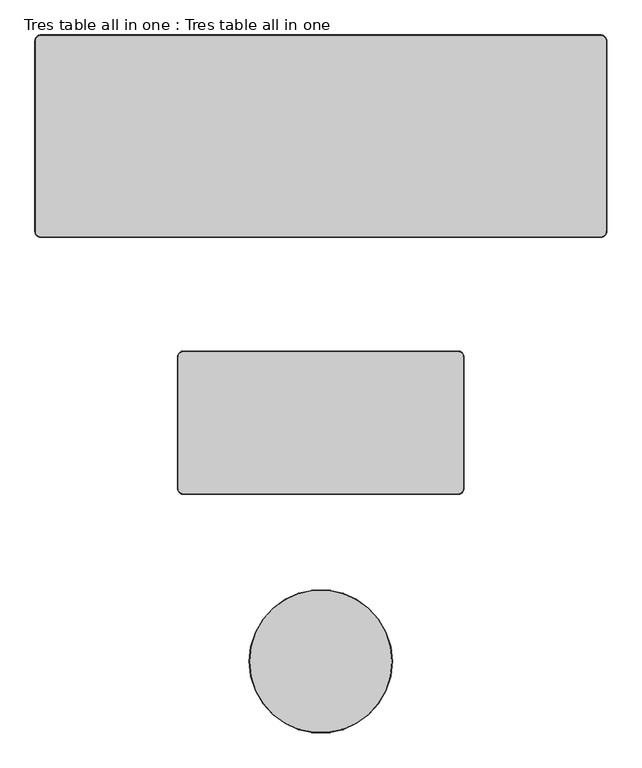
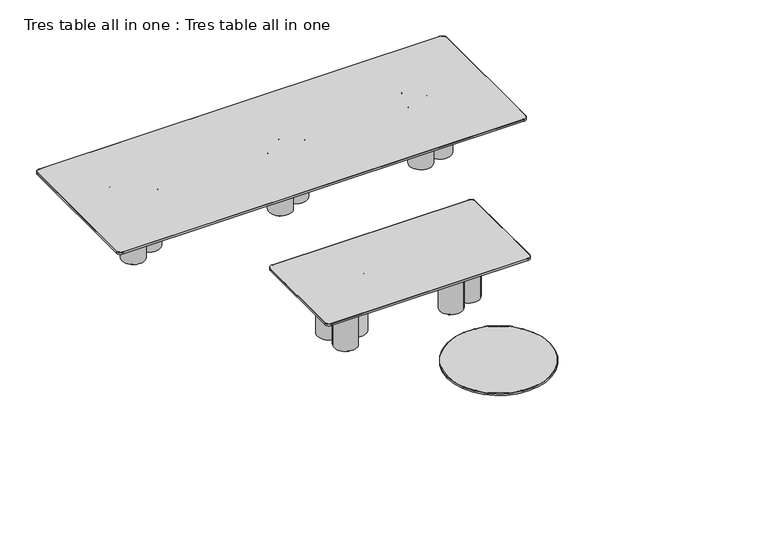
"""IFC4 building model written with IfcOpenShell, lengths in millimetres: furniture geometry, Tres table all in one : Tres table all in one."""

from ifc_helpers import new_model, si_unit, point, frame, frame_2d, origin, origin_with_axes, place, context, project, spatial, circle_curve, ellipse_curve, trimmed, segment, composite_curve, outline, extrude, source, transform, mapped, element, save
from ifc_brep_helpers import plane_surface, cylinder_surface, revolved_surface, advanced_brep


def tres_table_all_in_one_tres_table_all_in_one_0e285379(model_context):
    return source(origin(), model_context, "Body", "SolidModel", [
        advanced_brep(
        [(-2346.6238792, 3246.0174596, 719.875), (-2394.6238792, 3198.0174596, 719.875), (-2394.6238792, 1601.9821546, 719.875), (-2346.6238792, 1553.9821546, 719.875), (2346.6240469, 1553.9821546, 719.875), (2394.6237214, 1601.9818291, 719.875), (2394.6237214, 3198.0174596, 719.875), (2346.6237214, 3246.0174596, 719.875), (2346.6237214, 3248.0174596, 695.5), (2396.6237214, 3198.0174596, 695.5), (2396.6237214, 1601.9818291, 695.5), (2346.6240469, 1551.9821546, 695.5), (-2346.6238792, 1551.9821546, 695.5), (-2396.6238792, 1601.9821546, 695.5), (-2396.6238792, 3198.0174596, 695.5), (-2346.6238792, 3248.0174596, 695.5), (-2346.6238792, 3248.0174596, 717.8750015), (2346.6237214, 3248.0174596, 717.875), (-2396.6238792, 3198.0174596, 717.8749999), (-2396.6238792, 1601.9821546, 717.875), (-2346.6238792, 1551.9821546, 717.875), (2346.6240469, 1551.9821546, 717.875), (2396.6237214, 1601.9818291, 717.8750013), (2396.6237214, 3198.0174596, 717.875)],
        [
            (0, 1, circle_curve(frame((-2346.6238792, 3198.0174596, 719.875), z_axis=(0.0, 0.0, 1.0), x_axis=(0.0, 1.0, 0.0)), 48.0)),
            (1, 2),
            (2, 3, circle_curve(frame((-2346.6238792, 1601.9821546, 719.875), z_axis=(0.0, 0.0, 1.0), x_axis=(-1.0, 0.0, 0.0)), 48.0)),
            (3, 4),
            (4, 5, circle_curve(frame((2346.6240469, 1601.9818291, 719.875), z_axis=(0.0, 0.0, 1.0), x_axis=(0.0, -1.0, 0.0)), 47.9996745)),
            (5, 6),
            (6, 7, circle_curve(frame((2346.6237214, 3198.0174596, 719.875), z_axis=(0.0, 0.0, 1.0), x_axis=(1.0, 0.0, 0.0)), 48.0)),
            (7, 0),
            (8, 9, circle_curve(frame((2346.6237214, 3198.0174596, 695.5), z_axis=(0.0, 0.0, -1.0), x_axis=(1.0, 0.0, 0.0)), 50.0)),
            (9, 10),
            (10, 11, circle_curve(frame((2346.6240469, 1601.9818291, 695.5), z_axis=(0.0, 0.0, -1.0), x_axis=(1.0, 0.0, 0.0)), 49.9996745)),
            (11, 12),
            (12, 13, circle_curve(frame((-2346.6238792, 1601.9821546, 695.5), z_axis=(0.0, 0.0, -1.0), x_axis=(1.0, 0.0, 0.0)), 50.0)),
            (13, 14),
            (14, 15, circle_curve(frame((-2346.6238792, 3198.0174596, 695.5), z_axis=(0.0, 0.0, -1.0), x_axis=(1.0, 0.0, 0.0)), 50.0)),
            (15, 8),
            (15, 16),
            (16, 17),
            (17, 8),
            (14, 18),
            (18, 16, circle_curve(frame((-2346.6238792, 3198.0174596, 717.875), z_axis=(0.0, 0.0, -1.0), x_axis=(1.0, 0.0, 0.0)), 50.0)),
            (13, 19),
            (19, 18),
            (12, 20),
            (20, 19, circle_curve(frame((-2346.6238792, 1601.9821546, 717.875), z_axis=(0.0, 0.0, -1.0), x_axis=(1.0, 0.0, 0.0)), 50.0)),
            (11, 21),
            (21, 20),
            (10, 22),
            (22, 21, circle_curve(frame((2346.6240469, 1601.9818291, 717.875), z_axis=(0.0, 0.0, -1.0), x_axis=(1.0, 0.0, 0.0)), 49.9996745)),
            (9, 23),
            (23, 22),
            (17, 23, circle_curve(frame((2346.6237214, 3198.0174596, 717.875), z_axis=(0.0, 0.0, -1.0), x_axis=(1.0, 0.0, 0.0)), 50.0)),
            (18, 1, circle_curve(frame((-2394.6238792, 3198.0174596, 717.875), z_axis=(0.0, 1.0, 0.0), x_axis=(1.0, 0.0, 0.0)), 2.0)),
            (0, 16, circle_curve(frame((-2346.6238792, 3246.0174596, 717.875), z_axis=(-1.0, 0.0, 0.0), x_axis=(0.0, -1.0, 0.0)), 2.0)),
            (19, 2, circle_curve(frame((-2394.6238792, 1601.9821546, 717.875), z_axis=(0.0, 1.0, 0.0), x_axis=(1.0, 0.0, 0.0)), 2.0)),
            (20, 3, circle_curve(frame((-2346.6238792, 1553.9821546, 717.875), z_axis=(-1.0, 0.0, 0.0), x_axis=(0.0, 1.0, 0.0)), 2.0)),
            (21, 4, circle_curve(frame((2346.6240469, 1553.9821546, 717.875), z_axis=(-1.0, 0.0, 0.0), x_axis=(0.0, 1.0, 0.0)), 2.0)),
            (22, 5, circle_curve(frame((2394.6237214, 1601.9818291, 717.875), z_axis=(0.0, -1.0, 0.0), x_axis=(-1.0, 0.0, 0.0)), 2.0)),
            (23, 6, circle_curve(frame((2394.6237214, 3198.0174596, 717.875), z_axis=(0.0, -1.0, 0.0), x_axis=(-1.0, 0.0, 0.0)), 2.0)),
            (17, 7, circle_curve(frame((2346.6237214, 3246.0174596, 717.875), z_axis=(1.0, 0.0, 0.0), x_axis=(0.0, -1.0, 0.0)), 2.0)),
        ],
        [
            plane_surface(frame((-2346.6238792, 3248.0174596, 719.875), z_axis=(0.0, 0.0, 1.0), x_axis=(-1.0, 0.0, 0.0))),
            plane_surface(frame((-2346.6238792, 3248.0174596, 695.5), z_axis=(0.0, 0.0, -1.0), x_axis=(1.0, 0.0, 0.0))),
            plane_surface(frame((2346.6237214, 3248.0174596, 719.875), z_axis=(0.0, 1.0, 0.0), x_axis=(0.0, 0.0, -1.0))),
            cylinder_surface(frame((-2346.6238792, 3198.0174596, 695.5), z_axis=(0.0, 0.0, 1.0), x_axis=(1.0, 0.0, 0.0)), 50.0),
            plane_surface(frame((-2396.6238792, 3198.0174596, 719.875), z_axis=(-1.0, 0.0, 0.0), x_axis=(0.0, 0.0, -1.0))),
            cylinder_surface(frame((-2346.6238792, 1601.9821546, 695.5), z_axis=(0.0, 0.0, 1.0), x_axis=(1.0, 0.0, 0.0)), 50.0),
            plane_surface(frame((-2346.6238792, 1551.9821546, 719.875), z_axis=(0.0, -1.0, 0.0), x_axis=(0.0, 0.0, -1.0))),
            cylinder_surface(frame((2346.6240469, 1601.9818291, 695.5), z_axis=(0.0, 0.0, 1.0), x_axis=(1.0, 0.0, 0.0)), 49.9996745),
            plane_surface(frame((2396.6237214, 1601.9818291, 719.875), z_axis=(1.0, 0.0, 0.0), x_axis=(0.0, 0.0, -1.0))),
            cylinder_surface(frame((2346.6237214, 3198.0174596, 695.5), z_axis=(0.0, 0.0, 1.0), x_axis=(1.0, 0.0, 0.0)), 50.0),
            revolved_surface(trimmed(ellipse_curve(frame((-2346.6238792, 3246.0174596, 717.875), z_axis=(1.0, 0.0, 0.0), x_axis=(0.0, -1.0, 0.0)), 2.0, 2.0), [point((-2346.6238792, 3248.0174596, 717.875))], [point((-2346.6238792, 3246.0174596, 719.875))], True, "CARTESIAN"), (-2346.6238792, 3198.0174596, 719.875), (0.0, 0.0, 1.0)),
            cylinder_surface(frame((-2394.6238792, 3198.0174596, 717.875), z_axis=(0.0, -1.0, 0.0), x_axis=(1.0, 0.0, 0.0)), 2.0),
            revolved_surface(trimmed(ellipse_curve(frame((-2394.6238792, 1601.9821546, 717.875), z_axis=(0.0, 1.0, 0.0), x_axis=(1.0, 0.0, 0.0)), 2.0, 2.0), [point((-2396.6238792, 1601.9821546, 717.875))], [point((-2394.6238792, 1601.9821546, 719.875))], True, "CARTESIAN"), (-2346.6238792, 1601.9821546, 719.875), (0.0, 0.0, 1.0)),
            cylinder_surface(frame((-2346.6238792, 1553.9821546, 717.875), z_axis=(1.0, 0.0, 0.0), x_axis=(0.0, 1.0, 0.0)), 2.0),
            revolved_surface(trimmed(ellipse_curve(frame((2346.6240469, 1553.9821546, 717.875), z_axis=(-1.0, 0.0, 0.0), x_axis=(0.0, 1.0, 0.0)), 2.0, 2.0), [point((2346.6240469, 1551.9821546, 717.875))], [point((2346.6240469, 1553.9821546, 719.875))], True, "CARTESIAN"), (2346.6240469, 1601.9818291, 719.875), (0.0, 0.0, 1.0)),
            cylinder_surface(frame((2394.6237214, 1601.9818291, 717.875), z_axis=(0.0, 1.0, 0.0), x_axis=(-1.0, 0.0, 0.0)), 2.0),
            revolved_surface(trimmed(ellipse_curve(frame((2394.6237214, 3198.0174596, 717.875), z_axis=(0.0, -1.0, 0.0), x_axis=(-1.0, 0.0, 0.0)), 2.0, 2.0), [point((2396.6237214, 3198.0174596, 717.875))], [point((2394.6237214, 3198.0174596, 719.875))], True, "CARTESIAN"), (2346.6237214, 3198.0174596, 719.875), (0.0, 0.0, 1.0)),
            cylinder_surface(frame((2346.6237214, 3246.0174596, 717.875), z_axis=(-1.0, 0.0, 0.0), x_axis=(0.0, -1.0, 0.0)), 2.0),
        ],
        [
            (0, [[1, 2, 3, 4, 5, 6, 7, 8]]),
            (1, [[9, 10, 11, 12, 13, 14, 15, 16]]),
            (2, [[-16, 17, 18, 19]]),
            (3, [[-15, 20, 21, -17]]),
            (4, [[-14, 22, 23, -20]]),
            (5, [[-13, 24, 25, -22]]),
            (6, [[-12, 26, 27, -24]]),
            (7, [[-11, 28, 29, -26]]),
            (8, [[-10, 30, 31, -28]]),
            (9, [[-9, -19, 32, -30]]),
            (10, [[33, -1, 34, -21]]),
            (11, [[-33, -23, 35, -2]]),
            (12, [[-35, -25, 36, -3]]),
            (13, [[-36, -27, 37, -4]]),
            (14, [[-37, -29, 38, -5]]),
            (15, [[-38, -31, 39, -6]]),
            (16, [[-39, -32, 40, -7]]),
            (17, [[-34, -8, -40, -18]]),
        ],
    ),
        advanced_brep(
        [(-1150.0, 598.0, 719.875), (-1198.0, 550.0, 719.875), (-1198.0, -550.0, 719.875), (-1150.0, -598.0, 719.875), (1150.0, -598.0, 719.875), (1198.0, -550.0, 719.875), (1198.0, 550.0, 719.875), (1150.0, 598.0, 719.875), (1150.0, 600.0, 695.5), (1200.0, 550.0, 695.5), (1200.0, -550.0, 695.5), (1150.0, -600.0, 695.5), (-1150.0, -600.0, 695.5), (-1200.0, -550.0, 695.5), (-1200.0, 550.0, 695.5), (-1150.0, 600.0, 695.5), (-1150.0, 600.0, 717.875001), (1150.0, 600.0, 717.875), (-1200.0, 550.0, 717.875001), (-1200.0, -550.0, 717.875), (-1150.0, -600.0, 717.8750009), (1150.0, -600.0, 717.875), (1200.0, -550.0, 717.875001), (1200.0, 550.0, 717.875)],
        [
            (0, 1, circle_curve(frame((-1150.0, 550.0, 719.875), z_axis=(0.0, 0.0, 1.0), x_axis=(0.0, 1.0, 0.0)), 48.0)),
            (1, 2),
            (2, 3, circle_curve(frame((-1150.0, -550.0, 719.875), z_axis=(0.0, 0.0, 1.0), x_axis=(-1.0, 0.0, 0.0)), 48.0)),
            (3, 4),
            (4, 5, circle_curve(frame((1150.0, -550.0, 719.875), z_axis=(0.0, 0.0, 1.0), x_axis=(0.0, -1.0, 0.0)), 48.0)),
            (5, 6),
            (6, 7, circle_curve(frame((1150.0, 550.0, 719.875), z_axis=(0.0, 0.0, 1.0), x_axis=(1.0, 0.0, 0.0)), 48.0)),
            (7, 0),
            (8, 9, circle_curve(frame((1150.0, 550.0, 695.5), z_axis=(0.0, 0.0, -1.0), x_axis=(1.0, 0.0, 0.0)), 50.0)),
            (9, 10),
            (10, 11, circle_curve(frame((1150.0, -550.0, 695.5), z_axis=(0.0, 0.0, -1.0), x_axis=(1.0, 0.0, 0.0)), 50.0)),
            (11, 12),
            (12, 13, circle_curve(frame((-1150.0, -550.0, 695.5), z_axis=(0.0, 0.0, -1.0), x_axis=(1.0, 0.0, 0.0)), 50.0)),
            (13, 14),
            (14, 15, circle_curve(frame((-1150.0, 550.0, 695.5), z_axis=(0.0, 0.0, -1.0), x_axis=(1.0, 0.0, 0.0)), 50.0)),
            (15, 8),
            (15, 16),
            (16, 17),
            (17, 8),
            (14, 18),
            (18, 16, circle_curve(frame((-1150.0, 550.0, 717.875), z_axis=(0.0, 0.0, -1.0), x_axis=(1.0, 0.0, 0.0)), 50.0)),
            (13, 19),
            (19, 18),
            (12, 20),
            (20, 19, circle_curve(frame((-1150.0, -550.0, 717.875), z_axis=(0.0, 0.0, -1.0), x_axis=(1.0, 0.0, 0.0)), 50.0)),
            (11, 21),
            (21, 20),
            (10, 22),
            (22, 21, circle_curve(frame((1150.0, -550.0, 717.875), z_axis=(0.0, 0.0, -1.0), x_axis=(1.0, 0.0, 0.0)), 50.0)),
            (9, 23),
            (23, 22),
            (17, 23, circle_curve(frame((1150.0, 550.0, 717.875), z_axis=(0.0, 0.0, -1.0), x_axis=(1.0, 0.0, 0.0)), 50.0)),
            (18, 1, circle_curve(frame((-1198.0, 550.0, 717.875), z_axis=(0.0, 1.0, 0.0), x_axis=(1.0, 0.0, 0.0)), 2.0)),
            (0, 16, circle_curve(frame((-1150.0, 598.0, 717.875), z_axis=(-1.0, 0.0, 0.0), x_axis=(0.0, -1.0, 0.0)), 2.0)),
            (19, 2, circle_curve(frame((-1198.0, -550.0, 717.875), z_axis=(0.0, 1.0, 0.0), x_axis=(1.0, 0.0, 0.0)), 2.0)),
            (20, 3, circle_curve(frame((-1150.0, -598.0, 717.875), z_axis=(-1.0, 0.0, 0.0), x_axis=(0.0, 1.0, 0.0)), 2.0)),
            (21, 4, circle_curve(frame((1150.0, -598.0, 717.875), z_axis=(-1.0, 0.0, 0.0), x_axis=(0.0, 1.0, 0.0)), 2.0)),
            (22, 5, circle_curve(frame((1198.0, -550.0, 717.875), z_axis=(0.0, -1.0, 0.0), x_axis=(-1.0, 0.0, 0.0)), 2.0)),
            (23, 6, circle_curve(frame((1198.0, 550.0, 717.875), z_axis=(0.0, -1.0, 0.0), x_axis=(-1.0, 0.0, 0.0)), 2.0)),
            (17, 7, circle_curve(frame((1150.0, 598.0, 717.875), z_axis=(1.0, 0.0, 0.0), x_axis=(0.0, -1.0, 0.0)), 2.0)),
        ],
        [
            plane_surface(frame((-1200.0, 600.0, 719.875), z_axis=(0.0, 0.0, 1.0), x_axis=(-1.0, 0.0, 0.0))),
            plane_surface(frame((-1200.0, 600.0, 695.5), z_axis=(0.0, 0.0, -1.0), x_axis=(1.0, 0.0, 0.0))),
            plane_surface(frame((1150.0, 600.0, 719.875), z_axis=(0.0, 1.0, 0.0), x_axis=(0.0, 0.0, -1.0))),
            cylinder_surface(frame((-1150.0, 550.0, 695.5), z_axis=(0.0, 0.0, 1.0), x_axis=(1.0, 0.0, 0.0)), 50.0),
            plane_surface(frame((-1200.0, 550.0, 719.875), z_axis=(-1.0, 0.0, 0.0), x_axis=(0.0, 0.0, -1.0))),
            cylinder_surface(frame((-1150.0, -550.0, 695.5), z_axis=(0.0, 0.0, 1.0), x_axis=(1.0, 0.0, 0.0)), 50.0),
            plane_surface(frame((-1150.0, -600.0, 719.875), z_axis=(0.0, -1.0, 0.0), x_axis=(0.0, 0.0, -1.0))),
            cylinder_surface(frame((1150.0, -550.0, 695.5), z_axis=(0.0, 0.0, 1.0), x_axis=(1.0, 0.0, 0.0)), 50.0),
            plane_surface(frame((1200.0, -550.0, 719.875), z_axis=(1.0, 0.0, 0.0), x_axis=(0.0, 0.0, -1.0))),
            cylinder_surface(frame((1150.0, 550.0, 695.5), z_axis=(0.0, 0.0, 1.0), x_axis=(1.0, 0.0, 0.0)), 50.0),
            revolved_surface(trimmed(ellipse_curve(frame((-1150.0, 598.0, 717.875), z_axis=(1.0, 0.0, 0.0), x_axis=(0.0, -1.0, 0.0)), 2.0, 2.0), [point((-1150.0, 600.0, 717.875))], [point((-1150.0, 598.0, 719.875))], True, "CARTESIAN"), (-1150.0, 550.0, 719.875), (0.0, 0.0, 1.0)),
            cylinder_surface(frame((-1198.0, 550.0, 717.875), z_axis=(0.0, -1.0, 0.0), x_axis=(1.0, 0.0, 0.0)), 2.0),
            revolved_surface(trimmed(ellipse_curve(frame((-1198.0, -550.0, 717.875), z_axis=(0.0, 1.0, 0.0), x_axis=(1.0, 0.0, 0.0)), 2.0, 2.0), [point((-1200.0, -550.0, 717.875))], [point((-1198.0, -550.0, 719.875))], True, "CARTESIAN"), (-1150.0, -550.0, 719.875), (0.0, 0.0, 1.0)),
            cylinder_surface(frame((-1150.0, -598.0, 717.875), z_axis=(1.0, 0.0, 0.0), x_axis=(0.0, 1.0, 0.0)), 2.0),
            revolved_surface(trimmed(ellipse_curve(frame((1150.0, -598.0, 717.875), z_axis=(-1.0, 0.0, 0.0), x_axis=(0.0, 1.0, 0.0)), 2.0, 2.0), [point((1150.0, -600.0, 717.875))], [point((1150.0, -598.0, 719.875))], True, "CARTESIAN"), (1150.0, -550.0, 719.875), (0.0, 0.0, 1.0)),
            cylinder_surface(frame((1198.0, -550.0, 717.875), z_axis=(0.0, 1.0, 0.0), x_axis=(-1.0, 0.0, 0.0)), 2.0),
            revolved_surface(trimmed(ellipse_curve(frame((1198.0, 550.0, 717.875), z_axis=(0.0, -1.0, 0.0), x_axis=(-1.0, 0.0, 0.0)), 2.0, 2.0), [point((1200.0, 550.0, 717.875))], [point((1198.0, 550.0, 719.875))], True, "CARTESIAN"), (1150.0, 550.0, 719.875), (0.0, 0.0, 1.0)),
            cylinder_surface(frame((1150.0, 598.0, 717.875), z_axis=(-1.0, 0.0, 0.0), x_axis=(0.0, -1.0, 0.0)), 2.0),
        ],
        [
            (0, [[1, 2, 3, 4, 5, 6, 7, 8]]),
            (1, [[9, 10, 11, 12, 13, 14, 15, 16]]),
            (2, [[-16, 17, 18, 19]]),
            (3, [[-15, 20, 21, -17]]),
            (4, [[-14, 22, 23, -20]]),
            (5, [[-13, 24, 25, -22]]),
            (6, [[-12, 26, 27, -24]]),
            (7, [[-11, 28, 29, -26]]),
            (8, [[-10, 30, 31, -28]]),
            (9, [[-9, -19, 32, -30]]),
            (10, [[33, -1, 34, -21]]),
            (11, [[-33, -23, 35, -2]]),
            (12, [[-35, -25, 36, -3]]),
            (13, [[-36, -27, 37, -4]]),
            (14, [[-37, -29, 38, -5]]),
            (15, [[-38, -31, 39, -6]]),
            (16, [[-39, -32, 40, -7]]),
            (17, [[-34, -8, -40, -18]]),
        ],
    ),
        advanced_brep(
        [(-598.0, -2000.0, 719.8873901), (598.0, -2000.0, 719.8873901), (-600.0, -2000.0, 695.5123901), (600.0, -2000.0, 695.5123901), (600.0, -2000.0, 717.8873901), (-600.0, -2000.0, 717.8873901)],
        [
            (0, 1, circle_curve(frame((0.0, -2000.0, 719.8873901), z_axis=(0.0, 0.0, 1.0), x_axis=(1.0, 0.0, 0.0)), 598.0)),
            (1, 0, circle_curve(frame((0.0, -2000.0, 719.8873901), z_axis=(0.0, 0.0, 1.0), x_axis=(-1.0, 0.0, 0.0)), 598.0)),
            (2, 3, circle_curve(frame((0.0, -2000.0, 695.5123901), z_axis=(0.0, 0.0, -1.0), x_axis=(1.0, 0.0, 0.0)), 600.0)),
            (3, 2, circle_curve(frame((0.0, -2000.0, 695.5123901), z_axis=(0.0, 0.0, -1.0), x_axis=(1.0, 0.0, 0.0)), 600.0)),
            (3, 4),
            (4, 5, circle_curve(frame((0.0, -2000.0, 717.8873901), z_axis=(0.0, 0.0, -1.0), x_axis=(1.0, 0.0, 0.0)), 600.0)),
            (5, 2),
            (5, 4, circle_curve(frame((0.0, -2000.0, 717.8873901), z_axis=(0.0, 0.0, -1.0), x_axis=(1.0, 0.0, 0.0)), 600.0)),
            (0, 5, circle_curve(frame((-598.0, -2000.0, 717.8873901), z_axis=(0.0, -1.0, 0.0), x_axis=(-1.0, 0.0, 0.0)), 2.0)),
            (4, 1, circle_curve(frame((598.0, -2000.0, 717.8873901), z_axis=(0.0, -1.0, 0.0), x_axis=(1.0, 0.0, 0.0)), 2.0)),
        ],
        [
            plane_surface(frame((600.0, -2000.0, 719.8873901), z_axis=(0.0, 0.0, 1.0), x_axis=(0.0, 1.0, 0.0))),
            plane_surface(frame((600.0, -2000.0, 695.5123901), z_axis=(0.0, 0.0, -1.0), x_axis=(0.0, -1.0, 0.0))),
            cylinder_surface(frame((0.0, -2000.0, 695.5123901), z_axis=(0.0, 0.0, 1.0), x_axis=(1.0, 0.0, 0.0)), 600.0),
            revolved_surface(trimmed(ellipse_curve(frame((598.0, -2000.0, 717.8873901), z_axis=(0.0, 1.0, 0.0), x_axis=(1.0, 0.0, 0.0)), 2.0, 2.0), [point((598.0, -2000.0, 719.8873901))], [point((600.0, -2000.0, 717.8873901))], True, "CARTESIAN"), (0.0, -2000.0, 719.8873901), (0.0, 0.0, -1.0)),
            revolved_surface(trimmed(ellipse_curve(frame((-598.0, -2000.0, 717.8873901), z_axis=(0.0, -1.0, 0.0), x_axis=(-1.0, 0.0, 0.0)), 2.0, 2.0), [point((-598.0, -2000.0, 719.8873901))], [point((-600.0, -2000.0, 717.8873901))], True, "CARTESIAN"), (0.0, -2000.0, 719.8873901), (0.0, 0.0, -1.0)),
        ],
        [
            (0, [[1, 2]]),
            (1, [[3, 4]]),
            (2, [[-4, 5, 6, 7]]),
            (2, [[-3, -7, 8, -5]]),
            (3, [[9, -6, 10, -1]]),
            (4, [[-9, -2, -10, -8]]),
        ],
    ),
        extrude(outline(composite_curve([segment(trimmed(circle_curve(frame_2d((1949.3261185, 2339.2463834)), 8.5), [point((1942.1974187, 2343.8758152))], [point((1956.4548184, 2334.6169516))], False, "CARTESIAN"), True, "CONTINUOUS"), segment(trimmed(circle_curve(frame_2d((1949.3261185, 2339.2463834)), 8.5), [point((1956.4548184, 2334.6169516))], [point((1942.1974187, 2343.8758152))], False, "CARTESIAN"), True, "CONTINUOUS")], self_intersect=False)), origin_with_axes(), (0.0, 0.0, 1.0), 4.0),
        extrude(outline(composite_curve([segment(trimmed(circle_curve(frame_2d((1715.7979605, 2401.4245754)), 8.5), [point((1708.6692607, 2406.0540072))], [point((1722.9266603, 2396.7951436))], False, "CARTESIAN"), True, "CONTINUOUS"), segment(trimmed(circle_curve(frame_2d((1715.7979605, 2401.4245754)), 8.5), [point((1722.9266603, 2396.7951436))], [point((1708.6692607, 2406.0540072))], False, "CARTESIAN"), True, "CONTINUOUS")], self_intersect=False)), origin_with_axes(), (0.0, 0.0, 1.0), 4.0),
        extrude(outline(composite_curve([segment(trimmed(circle_curve(frame_2d((1479.7647921, 2246.5774505)), 8.5), [point((1472.6360923, 2251.2068823))], [point((1486.893492, 2241.9480187))], False, "CARTESIAN"), True, "CONTINUOUS"), segment(trimmed(circle_curve(frame_2d((1479.7647921, 2246.5774505)), 8.5), [point((1486.893492, 2241.9480187))], [point((1472.6360923, 2251.2068823))], False, "CARTESIAN"), True, "CONTINUOUS")], self_intersect=False)), origin_with_axes(), (0.0, 0.0, 1.0), 4.0),
        extrude(outline(composite_curve([segment(trimmed(circle_curve(frame_2d((1676.5310409, 2355.2781655)), 8.5), [point((1669.4023411, 2359.9075973))], [point((1683.6597408, 2350.6487337))], False, "CARTESIAN"), True, "CONTINUOUS"), segment(trimmed(circle_curve(frame_2d((1676.5310409, 2355.2781655)), 8.5), [point((1683.6597408, 2350.6487337))], [point((1669.4023411, 2359.9075973))], False, "CARTESIAN"), True, "CONTINUOUS")], self_intersect=False)), origin_with_axes(), (0.0, 0.0, 1.0), 4.0),
        extrude(outline(composite_curve([segment(trimmed(circle_curve(frame_2d((1702.8916429, 2459.9621474)), 8.5), [point((1695.762943, 2464.5915792))], [point((1710.0203427, 2455.3327156))], False, "CARTESIAN"), True, "CONTINUOUS"), segment(trimmed(circle_curve(frame_2d((1702.8916429, 2459.9621474)), 8.5), [point((1710.0203427, 2455.3327156))], [point((1695.762943, 2464.5915792))], False, "CARTESIAN"), True, "CONTINUOUS")], self_intersect=False)), origin_with_axes(), (0.0, 0.0, 1.0), 4.0),
        extrude(outline(composite_curve([segment(trimmed(circle_curve(frame_2d((1586.7163845, 2660.4274371)), 8.5), [point((1579.5876846, 2665.0568689))], [point((1593.8450843, 2655.7980053))], False, "CARTESIAN"), True, "CONTINUOUS"), segment(trimmed(circle_curve(frame_2d((1586.7163845, 2660.4274371)), 8.5), [point((1593.8450843, 2655.7980053))], [point((1579.5876846, 2665.0568689))], False, "CARTESIAN"), True, "CONTINUOUS")], self_intersect=False)), origin_with_axes(), (0.0, 0.0, 1.0), 4.0),
        extrude(outline(composite_curve([segment(trimmed(circle_curve(frame_2d((1573.7370562, 2302.1348555)), 132.0), [point((1463.0325412, 2374.0272081))], [point((1684.4415711, 2230.2425028))], False, "CARTESIAN"), True, "CONTINUOUS"), segment(trimmed(circle_curve(frame_2d((1573.7370562, 2302.1348555)), 132.0), [point((1684.4415711, 2230.2425028))], [point((1463.0325412, 2374.0272081))], False, "CARTESIAN"), True, "CONTINUOUS")], self_intersect=False), holes=[composite_curve([segment(trimmed(circle_curve(frame_2d((1573.7370562, 2302.1348555)), 90.0), [point((1498.256705, 2351.1523686))], [point((1649.2174073, 2253.1173423))], True, "CARTESIAN"), True, "CONTINUOUS"), segment(trimmed(circle_curve(frame_2d((1573.7370562, 2302.1348555)), 90.0), [point((1649.2174073, 2253.1173423))], [point((1498.256705, 2351.1523686))], True, "CARTESIAN"), True, "CONTINUOUS")], self_intersect=False)]), frame((0.0, 0.0, 4.0), z_axis=(0.0, 0.0, 1.0), x_axis=(1.0, 0.0, 0.0)), (0.0, 0.0, 1.0), 691.5),
        extrude(outline(composite_curve([segment(trimmed(circle_curve(frame_2d((1830.8905847, 2369.5506016)), 132.0), [point((1720.1860698, 2441.4429542))], [point((1941.5950997, 2297.6582489))], False, "CARTESIAN"), True, "CONTINUOUS"), segment(trimmed(circle_curve(frame_2d((1830.8905847, 2369.5506016)), 132.0), [point((1941.5950997, 2297.6582489))], [point((1720.1860698, 2441.4429542))], False, "CARTESIAN"), True, "CONTINUOUS")], self_intersect=False), holes=[composite_curve([segment(trimmed(circle_curve(frame_2d((1830.8905847, 2369.5506016)), 90.0), [point((1755.4102336, 2418.5681147))], [point((1906.3709358, 2320.5330884))], True, "CARTESIAN"), True, "CONTINUOUS"), segment(trimmed(circle_curve(frame_2d((1830.8905847, 2369.5506016)), 90.0), [point((1906.3709358, 2320.5330884))], [point((1755.4102336, 2418.5681147))], True, "CARTESIAN"), True, "CONTINUOUS")], self_intersect=False)]), frame((0.0, 0.0, 4.0), z_axis=(0.0, 0.0, 1.0), x_axis=(1.0, 0.0, 0.0)), (0.0, 0.0, 1.0), 691.5),
        extrude(outline(composite_curve([segment(trimmed(circle_curve(frame_2d((1644.5302144, 2555.7644413)), 132.0), [point((1533.8256995, 2627.6567939))], [point((1755.2347294, 2483.8720887))], False, "CARTESIAN"), True, "CONTINUOUS"), segment(trimmed(circle_curve(frame_2d((1644.5302144, 2555.7644413)), 132.0), [point((1755.2347294, 2483.8720887))], [point((1533.8256995, 2627.6567939))], False, "CARTESIAN"), True, "CONTINUOUS")], self_intersect=False), holes=[composite_curve([segment(trimmed(circle_curve(frame_2d((1644.5302144, 2555.7644413)), 90.0), [point((1569.0498633, 2604.7819544))], [point((1720.0105656, 2506.7469281))], True, "CARTESIAN"), True, "CONTINUOUS"), segment(trimmed(circle_curve(frame_2d((1644.5302144, 2555.7644413)), 90.0), [point((1720.0105656, 2506.7469281))], [point((1569.0498633, 2604.7819544))], True, "CARTESIAN"), True, "CONTINUOUS")], self_intersect=False)]), frame((0.0, 0.0, 4.0), z_axis=(0.0, 0.0, 1.0), x_axis=(1.0, 0.0, 0.0)), (0.0, 0.0, 1.0), 691.5),
        extrude(outline(composite_curve([segment(trimmed(circle_curve(frame_2d((283.7011185, 2437.9963834)), 8.5), [point((276.5724187, 2442.6258152))], [point((290.8298184, 2433.3669516))], False, "CARTESIAN"), True, "CONTINUOUS"), segment(trimmed(circle_curve(frame_2d((283.7011185, 2437.9963834)), 8.5), [point((290.8298184, 2433.3669516))], [point((276.5724187, 2442.6258152))], False, "CARTESIAN"), True, "CONTINUOUS")], self_intersect=False)), origin_with_axes(), (0.0, 0.0, 1.0), 4.0),
        extrude(outline(composite_curve([segment(trimmed(circle_curve(frame_2d((62.6729605, 2394.5495754)), 8.5), [point((55.5442607, 2399.1790072))], [point((69.8016603, 2389.9201436))], False, "CARTESIAN"), True, "CONTINUOUS"), segment(trimmed(circle_curve(frame_2d((62.6729605, 2394.5495754)), 8.5), [point((69.8016603, 2389.9201436))], [point((55.5442607, 2399.1790072))], False, "CARTESIAN"), True, "CONTINUOUS")], self_intersect=False)), origin_with_axes(), (0.0, 0.0, 1.0), 4.0),
        extrude(outline(composite_curve([segment(trimmed(circle_curve(frame_2d((-135.2352079, 2206.5774505)), 8.5), [point((-142.3639077, 2211.2068823))], [point((-128.106508, 2201.9480187))], False, "CARTESIAN"), True, "CONTINUOUS"), segment(trimmed(circle_curve(frame_2d((-135.2352079, 2206.5774505)), 8.5), [point((-128.106508, 2201.9480187))], [point((-142.3639077, 2211.2068823))], False, "CARTESIAN"), True, "CONTINUOUS")], self_intersect=False)), origin_with_axes(), (0.0, 0.0, 1.0), 4.0),
        extrude(outline(composite_curve([segment(trimmed(circle_curve(frame_2d((3.7185409, 2404.6531655)), 8.5), [point((-3.4101589, 2409.2825973))], [point((10.8472408, 2400.0237337))], False, "CARTESIAN"), True, "CONTINUOUS"), segment(trimmed(circle_curve(frame_2d((3.7185409, 2404.6531655)), 8.5), [point((10.8472408, 2400.0237337))], [point((-3.4101589, 2409.2825973))], False, "CARTESIAN"), True, "CONTINUOUS")], self_intersect=False)), origin_with_axes(), (0.0, 0.0, 1.0), 4.0),
        extrude(outline(composite_curve([segment(trimmed(circle_curve(frame_2d((-24.2958571, 2457.7746474)), 8.5), [point((-31.424557, 2462.4040792))], [point((-17.1671573, 2453.1452156))], False, "CARTESIAN"), True, "CONTINUOUS"), segment(trimmed(circle_curve(frame_2d((-24.2958571, 2457.7746474)), 8.5), [point((-17.1671573, 2453.1452156))], [point((-31.424557, 2462.4040792))], False, "CARTESIAN"), True, "CONTINUOUS")], self_intersect=False)), origin_with_axes(), (0.0, 0.0, 1.0), 4.0),
        extrude(outline(composite_curve([segment(trimmed(circle_curve(frame_2d((-66.4086155, 2685.4274371)), 8.5), [point((-73.5373154, 2690.0568689))], [point((-59.2799157, 2680.7980053))], False, "CARTESIAN"), True, "CONTINUOUS"), segment(trimmed(circle_curve(frame_2d((-66.4086155, 2685.4274371)), 8.5), [point((-59.2799157, 2680.7980053))], [point((-73.5373154, 2690.0568689))], False, "CARTESIAN"), True, "CONTINUOUS")], self_intersect=False)), origin_with_axes(), (0.0, 0.0, 1.0), 4.0),
        extrude(outline(composite_curve([segment(trimmed(circle_curve(frame_2d((-66.8879438, 2307.1348555)), 132.0), [point((-177.5924588, 2379.0272081))], [point((43.8165711, 2235.2425028))], False, "CARTESIAN"), True, "CONTINUOUS"), segment(trimmed(circle_curve(frame_2d((-66.8879438, 2307.1348555)), 132.0), [point((43.8165711, 2235.2425028))], [point((-177.5924588, 2379.0272081))], False, "CARTESIAN"), True, "CONTINUOUS")], self_intersect=False), holes=[composite_curve([segment(trimmed(circle_curve(frame_2d((-66.8879438, 2307.1348555)), 90.0), [point((-142.368295, 2356.1523686))], [point((8.5924073, 2258.1173423))], True, "CARTESIAN"), True, "CONTINUOUS"), segment(trimmed(circle_curve(frame_2d((-66.8879438, 2307.1348555)), 90.0), [point((8.5924073, 2258.1173423))], [point((-142.368295, 2356.1523686))], True, "CARTESIAN"), True, "CONTINUOUS")], self_intersect=False)]), frame((0.0, 0.0, 4.0), z_axis=(0.0, 0.0, 1.0), x_axis=(1.0, 0.0, 0.0)), (0.0, 0.0, 1.0), 691.5),
        extrude(outline(composite_curve([segment(trimmed(circle_curve(frame_2d((175.8905847, 2417.0506016)), 132.0), [point((65.1860698, 2488.9429542))], [point((286.5950997, 2345.1582489))], False, "CARTESIAN"), True, "CONTINUOUS"), segment(trimmed(circle_curve(frame_2d((175.8905847, 2417.0506016)), 132.0), [point((286.5950997, 2345.1582489))], [point((65.1860698, 2488.9429542))], False, "CARTESIAN"), True, "CONTINUOUS")], self_intersect=False), holes=[composite_curve([segment(trimmed(circle_curve(frame_2d((175.8905847, 2417.0506016)), 90.0), [point((100.4102336, 2466.0681147))], [point((251.3709358, 2368.0330884))], True, "CARTESIAN"), True, "CONTINUOUS"), segment(trimmed(circle_curve(frame_2d((175.8905847, 2417.0506016)), 90.0), [point((251.3709358, 2368.0330884))], [point((100.4102336, 2466.0681147))], True, "CARTESIAN"), True, "CONTINUOUS")], self_intersect=False)]), frame((0.0, 0.0, 4.0), z_axis=(0.0, 0.0, 1.0), x_axis=(1.0, 0.0, 0.0)), (0.0, 0.0, 1.0), 691.5),
        extrude(outline(composite_curve([segment(trimmed(circle_curve(frame_2d((-40.4697856, 2570.7644413)), 132.0), [point((-151.1743005, 2642.6567939))], [point((70.2347294, 2498.8720887))], False, "CARTESIAN"), True, "CONTINUOUS"), segment(trimmed(circle_curve(frame_2d((-40.4697856, 2570.7644413)), 132.0), [point((70.2347294, 2498.8720887))], [point((-151.1743005, 2642.6567939))], False, "CARTESIAN"), True, "CONTINUOUS")], self_intersect=False), holes=[composite_curve([segment(trimmed(circle_curve(frame_2d((-40.4697856, 2570.7644413)), 90.0), [point((-115.9501367, 2619.7819544))], [point((35.0105656, 2521.7469281))], True, "CARTESIAN"), True, "CONTINUOUS"), segment(trimmed(circle_curve(frame_2d((-40.4697856, 2570.7644413)), 90.0), [point((35.0105656, 2521.7469281))], [point((-115.9501367, 2619.7819544))], True, "CARTESIAN"), True, "CONTINUOUS")], self_intersect=False)]), frame((0.0, 0.0, 4.0), z_axis=(0.0, 0.0, 1.0), x_axis=(1.0, 0.0, 0.0)), (0.0, 0.0, 1.0), 691.5),
        extrude(outline(composite_curve([segment(trimmed(circle_curve(frame_2d((-1437.5486472, 2437.9963834)), 8.5), [point((-1444.6773471, 2442.6258152))], [point((-1430.4199474, 2433.3669516))], False, "CARTESIAN"), True, "CONTINUOUS"), segment(trimmed(circle_curve(frame_2d((-1437.5486472, 2437.9963834)), 8.5), [point((-1430.4199474, 2433.3669516))], [point((-1444.6773471, 2442.6258152))], False, "CARTESIAN"), True, "CONTINUOUS")], self_intersect=False)), origin_with_axes(), (0.0, 0.0, 1.0), 4.0),
        extrude(outline(composite_curve([segment(trimmed(circle_curve(frame_2d((-1658.5768053, 2394.5495754)), 8.5), [point((-1665.7055051, 2399.1790072))], [point((-1651.4481054, 2389.9201436))], False, "CARTESIAN"), True, "CONTINUOUS"), segment(trimmed(circle_curve(frame_2d((-1658.5768053, 2394.5495754)), 8.5), [point((-1651.4481054, 2389.9201436))], [point((-1665.7055051, 2399.1790072))], False, "CARTESIAN"), True, "CONTINUOUS")], self_intersect=False)), origin_with_axes(), (0.0, 0.0, 1.0), 4.0),
        extrude(outline(composite_curve([segment(trimmed(circle_curve(frame_2d((-1856.4849736, 2206.5774505)), 8.5), [point((-1863.6136734, 2211.2068823))], [point((-1849.3562738, 2201.9480187))], False, "CARTESIAN"), True, "CONTINUOUS"), segment(trimmed(circle_curve(frame_2d((-1856.4849736, 2206.5774505)), 8.5), [point((-1849.3562738, 2201.9480187))], [point((-1863.6136734, 2211.2068823))], False, "CARTESIAN"), True, "CONTINUOUS")], self_intersect=False)), origin_with_axes(), (0.0, 0.0, 1.0), 4.0),
        extrude(outline(composite_curve([segment(trimmed(circle_curve(frame_2d((-1717.5312248, 2404.6531655)), 8.5), [point((-1724.6599247, 2409.2825973))], [point((-1710.402525, 2400.0237337))], False, "CARTESIAN"), True, "CONTINUOUS"), segment(trimmed(circle_curve(frame_2d((-1717.5312248, 2404.6531655)), 8.5), [point((-1710.402525, 2400.0237337))], [point((-1724.6599247, 2409.2825973))], False, "CARTESIAN"), True, "CONTINUOUS")], self_intersect=False)), origin_with_axes(), (0.0, 0.0, 1.0), 4.0),
        extrude(outline(composite_curve([segment(trimmed(circle_curve(frame_2d((-1745.5456229, 2457.7746474)), 8.5), [point((-1752.6743227, 2462.4040792))], [point((-1738.4169231, 2453.1452156))], False, "CARTESIAN"), True, "CONTINUOUS"), segment(trimmed(circle_curve(frame_2d((-1745.5456229, 2457.7746474)), 8.5), [point((-1738.4169231, 2453.1452156))], [point((-1752.6743227, 2462.4040792))], False, "CARTESIAN"), True, "CONTINUOUS")], self_intersect=False)), origin_with_axes(), (0.0, 0.0, 1.0), 4.0),
        extrude(outline(composite_curve([segment(trimmed(circle_curve(frame_2d((-1787.6583813, 2685.4274371)), 8.5), [point((-1794.7870811, 2690.0568689))], [point((-1780.5296815, 2680.7980053))], False, "CARTESIAN"), True, "CONTINUOUS"), segment(trimmed(circle_curve(frame_2d((-1787.6583813, 2685.4274371)), 8.5), [point((-1780.5296815, 2680.7980053))], [point((-1794.7870811, 2690.0568689))], False, "CARTESIAN"), True, "CONTINUOUS")], self_intersect=False)), origin_with_axes(), (0.0, 0.0, 1.0), 4.0),
        extrude(outline(composite_curve([segment(trimmed(circle_curve(frame_2d((-1788.1377096, 2307.1348555)), 132.0), [point((-1898.8422246, 2379.0272081))], [point((-1677.4331946, 2235.2425028))], False, "CARTESIAN"), True, "CONTINUOUS"), segment(trimmed(circle_curve(frame_2d((-1788.1377096, 2307.1348555)), 132.0), [point((-1677.4331946, 2235.2425028))], [point((-1898.8422246, 2379.0272081))], False, "CARTESIAN"), True, "CONTINUOUS")], self_intersect=False), holes=[composite_curve([segment(trimmed(circle_curve(frame_2d((-1788.1377096, 2307.1348555)), 90.0), [point((-1863.6180607, 2356.1523686))], [point((-1712.6573585, 2258.1173423))], True, "CARTESIAN"), True, "CONTINUOUS"), segment(trimmed(circle_curve(frame_2d((-1788.1377096, 2307.1348555)), 90.0), [point((-1712.6573585, 2258.1173423))], [point((-1863.6180607, 2356.1523686))], True, "CARTESIAN"), True, "CONTINUOUS")], self_intersect=False)]), frame((0.0, 0.0, 4.0), z_axis=(0.0, 0.0, 1.0), x_axis=(1.0, 0.0, 0.0)), (0.0, 0.0, 1.0), 691.5),
        extrude(outline(composite_curve([segment(trimmed(circle_curve(frame_2d((-1545.359181, 2417.0506016)), 132.0), [point((-1656.063696, 2488.9429542))], [point((-1434.6546661, 2345.1582489))], False, "CARTESIAN"), True, "CONTINUOUS"), segment(trimmed(circle_curve(frame_2d((-1545.359181, 2417.0506016)), 132.0), [point((-1434.6546661, 2345.1582489))], [point((-1656.063696, 2488.9429542))], False, "CARTESIAN"), True, "CONTINUOUS")], self_intersect=False), holes=[composite_curve([segment(trimmed(circle_curve(frame_2d((-1545.359181, 2417.0506016)), 90.0), [point((-1620.8395322, 2466.0681147))], [point((-1469.8788299, 2368.0330884))], True, "CARTESIAN"), True, "CONTINUOUS"), segment(trimmed(circle_curve(frame_2d((-1545.359181, 2417.0506016)), 90.0), [point((-1469.8788299, 2368.0330884))], [point((-1620.8395322, 2466.0681147))], True, "CARTESIAN"), True, "CONTINUOUS")], self_intersect=False)]), frame((0.0, 0.0, 4.0), z_axis=(0.0, 0.0, 1.0), x_axis=(1.0, 0.0, 0.0)), (0.0, 0.0, 1.0), 691.5),
        extrude(outline(composite_curve([segment(trimmed(circle_curve(frame_2d((-1761.7195513, 2570.7644413)), 132.0), [point((-1872.4240663, 2642.6567939))], [point((-1651.0150363, 2498.8720887))], False, "CARTESIAN"), True, "CONTINUOUS"), segment(trimmed(circle_curve(frame_2d((-1761.7195513, 2570.7644413)), 132.0), [point((-1651.0150363, 2498.8720887))], [point((-1872.4240663, 2642.6567939))], False, "CARTESIAN"), True, "CONTINUOUS")], self_intersect=False), holes=[composite_curve([segment(trimmed(circle_curve(frame_2d((-1761.7195513, 2570.7644413)), 90.0), [point((-1837.1999024, 2619.7819544))], [point((-1686.2392002, 2521.7469281))], True, "CARTESIAN"), True, "CONTINUOUS"), segment(trimmed(circle_curve(frame_2d((-1761.7195513, 2570.7644413)), 90.0), [point((-1686.2392002, 2521.7469281))], [point((-1837.1999024, 2619.7819544))], True, "CARTESIAN"), True, "CONTINUOUS")], self_intersect=False)]), frame((0.0, 0.0, 4.0), z_axis=(0.0, 0.0, 1.0), x_axis=(1.0, 0.0, 0.0)), (0.0, 0.0, 1.0), 691.5),
        extrude(outline(composite_curve([segment(trimmed(circle_curve(frame_2d((-389.2328578, 118.6021484)), 8.5), [point((-397.1682914, 121.6482759))], [point((-381.2974241, 115.5560208))], False, "CARTESIAN"), True, "CONTINUOUS"), segment(trimmed(circle_curve(frame_2d((-389.2328578, 118.6021484)), 8.5), [point((-381.2974241, 115.5560208))], [point((-397.1682914, 121.6482759))], False, "CARTESIAN"), True, "CONTINUOUS")], self_intersect=False)), origin_with_axes(), (0.0, 0.0, 1.0), 4.0),
        extrude(outline(composite_curve([segment(trimmed(circle_curve(frame_2d((-591.112957, 18.813997)), 8.5), [point((-599.0483906, 21.8601246))], [point((-583.1775234, 15.7678694))], False, "CARTESIAN"), True, "CONTINUOUS"), segment(trimmed(circle_curve(frame_2d((-591.112957, 18.813997)), 8.5), [point((-583.1775234, 15.7678694))], [point((-599.0483906, 21.8601246))], False, "CARTESIAN"), True, "CONTINUOUS")], self_intersect=False)), origin_with_axes(), (0.0, 0.0, 1.0), 4.0),
        extrude(outline(composite_curve([segment(trimmed(circle_curve(frame_2d((-734.1248054, -213.6595682)), 8.5), [point((-742.060239, -210.6134407))], [point((-726.1893718, -216.7056958))], False, "CARTESIAN"), True, "CONTINUOUS"), segment(trimmed(circle_curve(frame_2d((-734.1248054, -213.6595682)), 8.5), [point((-726.1893718, -216.7056958))], [point((-742.060239, -210.6134407))], False, "CARTESIAN"), True, "CONTINUOUS")], self_intersect=False)), origin_with_axes(), (0.0, 0.0, 1.0), 4.0),
        extrude(outline(composite_curve([segment(trimmed(circle_curve(frame_2d((-651.2119973, 13.493529)), 8.5), [point((-659.147431, 16.5396566))], [point((-643.2765637, 10.4474015))], False, "CARTESIAN"), True, "CONTINUOUS"), segment(trimmed(circle_curve(frame_2d((-651.2119973, 13.493529)), 8.5), [point((-643.2765637, 10.4474015))], [point((-659.147431, 16.5396566))], False, "CARTESIAN"), True, "CONTINUOUS")], self_intersect=False)), origin_with_axes(), (0.0, 0.0, 1.0), 4.0),
        extrude(outline(composite_curve([segment(trimmed(circle_curve(frame_2d((-692.0849688, 57.516551)), 8.5), [point((-700.0204025, 60.5626785))], [point((-684.1495352, 54.4704234))], False, "CARTESIAN"), True, "CONTINUOUS"), segment(trimmed(circle_curve(frame_2d((-692.0849688, 57.516551)), 8.5), [point((-684.1495352, 54.4704234))], [point((-700.0204025, 60.5626785))], False, "CARTESIAN"), True, "CONTINUOUS")], self_intersect=False)), origin_with_axes(), (0.0, 0.0, 1.0), 4.0),
        extrude(outline(composite_curve([segment(trimmed(circle_curve(frame_2d((-789.8900265, 268.5076884)), 8.5), [point((-797.8254602, 271.553816))], [point((-781.9545929, 265.4615608))], False, "CARTESIAN"), True, "CONTINUOUS"), segment(trimmed(circle_curve(frame_2d((-789.8900265, 268.5076884)), 8.5), [point((-781.9545929, 265.4615608))], [point((-797.8254602, 271.553816))], False, "CARTESIAN"), True, "CONTINUOUS")], self_intersect=False)), origin_with_axes(), (0.0, 0.0, 1.0), 4.0),
        extrude(outline(composite_curve([segment(trimmed(circle_curve(frame_2d((-694.5898471, -97.9794961)), 132.0), [point((-817.8224634, -50.6749268))], [point((-571.3572308, -145.2840655))], False, "CARTESIAN"), True, "CONTINUOUS"), segment(trimmed(circle_curve(frame_2d((-694.5898471, -97.9794961)), 132.0), [point((-571.3572308, -145.2840655))], [point((-817.8224634, -50.6749268))], False, "CARTESIAN"), True, "CONTINUOUS")], self_intersect=False), holes=[composite_curve([segment(trimmed(circle_curve(frame_2d((-694.5898471, -97.9794961)), 90.0), [point((-778.6120855, -65.7263807))], [point((-610.5676087, -130.2326116))], True, "CARTESIAN"), True, "CONTINUOUS"), segment(trimmed(circle_curve(frame_2d((-694.5898471, -97.9794961)), 90.0), [point((-610.5676087, -130.2326116))], [point((-778.6120855, -65.7263807))], True, "CARTESIAN"), True, "CONTINUOUS")], self_intersect=False)]), frame((0.0, 0.0, 4.0), z_axis=(0.0, 0.0, 1.0), x_axis=(1.0, 0.0, 0.0)), (0.0, 0.0, 1.0), 691.5),
        extrude(outline(composite_curve([segment(trimmed(circle_curve(frame_2d((-489.5145492, 68.8443022)), 132.0), [point((-612.7471655, 116.1488715))], [point((-366.2819329, 21.5397328))], False, "CARTESIAN"), True, "CONTINUOUS"), segment(trimmed(circle_curve(frame_2d((-489.5145492, 68.8443022)), 132.0), [point((-366.2819329, 21.5397328))], [point((-612.7471655, 116.1488715))], False, "CARTESIAN"), True, "CONTINUOUS")], self_intersect=False), holes=[composite_curve([segment(trimmed(circle_curve(frame_2d((-489.5145492, 68.8443022)), 90.0), [point((-573.5367876, 101.0974176))], [point((-405.4923108, 36.5911867))], True, "CARTESIAN"), True, "CONTINUOUS"), segment(trimmed(circle_curve(frame_2d((-489.5145492, 68.8443022)), 90.0), [point((-405.4923108, 36.5911867))], [point((-573.5367876, 101.0974176))], True, "CARTESIAN"), True, "CONTINUOUS")], self_intersect=False)]), frame((0.0, 0.0, 4.0), z_axis=(0.0, 0.0, 1.0), x_axis=(1.0, 0.0, 0.0)), (0.0, 0.0, 1.0), 691.5),
        extrude(outline(composite_curve([segment(trimmed(circle_curve(frame_2d((-740.6782449, 161.7433401)), 132.0), [point((-863.9108612, 209.0479095))], [point((-617.4456286, 114.4387708))], False, "CARTESIAN"), True, "CONTINUOUS"), segment(trimmed(circle_curve(frame_2d((-740.6782449, 161.7433401)), 132.0), [point((-617.4456286, 114.4387708))], [point((-863.9108612, 209.0479095))], False, "CARTESIAN"), True, "CONTINUOUS")], self_intersect=False), holes=[composite_curve([segment(trimmed(circle_curve(frame_2d((-740.6782449, 161.7433401)), 90.0), [point((-824.7004833, 193.9964556))], [point((-656.6560065, 129.4902247))], True, "CARTESIAN"), True, "CONTINUOUS"), segment(trimmed(circle_curve(frame_2d((-740.6782449, 161.7433401)), 90.0), [point((-656.6560065, 129.4902247))], [point((-824.7004833, 193.9964556))], True, "CARTESIAN"), True, "CONTINUOUS")], self_intersect=False)]), frame((0.0, 0.0, 4.0), z_axis=(0.0, 0.0, 1.0), x_axis=(1.0, 0.0, 0.0)), (0.0, 0.0, 1.0), 691.5),
        extrude(outline(composite_curve([segment(trimmed(circle_curve(frame_2d((919.2770387, 30.3621172)), 8.5), [point((912.8620072, 35.9386189))], [point((925.6920701, 24.7856154))], False, "CARTESIAN"), True, "CONTINUOUS"), segment(trimmed(circle_curve(frame_2d((919.2770387, 30.3621172)), 8.5), [point((925.6920701, 24.7856154))], [point((912.8620072, 35.9386189))], False, "CARTESIAN"), True, "CONTINUOUS")], self_intersect=False)), origin_with_axes(), (0.0, 0.0, 1.0), 4.0),
        extrude(outline(composite_curve([segment(trimmed(circle_curve(frame_2d((695.4422413, 5.6389882)), 8.5), [point((689.0272098, 11.2154899))], [point((701.8572727, 0.0624864))], False, "CARTESIAN"), True, "CONTINUOUS"), segment(trimmed(circle_curve(frame_2d((695.4422413, 5.6389882)), 8.5), [point((701.8572727, 0.0624864))], [point((689.0272098, 11.2154899))], False, "CARTESIAN"), True, "CONTINUOUS")], self_intersect=False)), origin_with_axes(), (0.0, 0.0, 1.0), 4.0),
        extrude(outline(composite_curve([segment(trimmed(circle_curve(frame_2d((481.5444206, -163.9017727)), 8.5), [point((475.1293892, -158.325271))], [point((487.959452, -169.4782745))], False, "CARTESIAN"), True, "CONTINUOUS"), segment(trimmed(circle_curve(frame_2d((481.5444206, -163.9017727)), 8.5), [point((487.959452, -169.4782745))], [point((475.1293892, -158.325271))], False, "CARTESIAN"), True, "CONTINUOUS")], self_intersect=False)), origin_with_axes(), (0.0, 0.0, 1.0), 4.0),
        extrude(outline(composite_curve([segment(trimmed(circle_curve(frame_2d((637.1479094, 21.1944661)), 8.5), [point((630.7328779, 26.7709678))], [point((643.5629408, 15.6179643))], False, "CARTESIAN"), True, "CONTINUOUS"), segment(trimmed(circle_curve(frame_2d((637.1479094, 21.1944661)), 8.5), [point((643.5629408, 15.6179643))], [point((630.7328779, 26.7709678))], False, "CARTESIAN"), True, "CONTINUOUS")], self_intersect=False)), origin_with_axes(), (0.0, 0.0, 1.0), 4.0),
        extrude(outline(composite_curve([segment(trimmed(circle_curve(frame_2d((613.7966399, 76.5419545)), 8.5), [point((607.3816085, 82.1184562))], [point((620.2116714, 70.9654528))], False, "CARTESIAN"), True, "CONTINUOUS"), segment(trimmed(circle_curve(frame_2d((613.7966399, 76.5419545)), 8.5), [point((620.2116714, 70.9654528))], [point((607.3816085, 82.1184562))], False, "CARTESIAN"), True, "CONTINUOUS")], self_intersect=False)), origin_with_axes(), (0.0, 0.0, 1.0), 4.0),
        extrude(outline(composite_curve([segment(trimmed(circle_curve(frame_2d((594.053168, 308.2600692)), 8.5), [point((587.6381366, 313.836571))], [point((600.4681994, 302.6835675))], False, "CARTESIAN"), True, "CONTINUOUS"), segment(trimmed(circle_curve(frame_2d((594.053168, 308.2600692)), 8.5), [point((600.4681994, 302.6835675))], [point((587.6381366, 313.836571))], False, "CARTESIAN"), True, "CONTINUOUS")], self_intersect=False)), origin_with_axes(), (0.0, 0.0, 1.0), 4.0),
        extrude(outline(composite_curve([segment(trimmed(circle_curve(frame_2d((558.260044, -68.7198147)), 132.0), [point((458.6383794, 17.8799771))], [point((657.8817086, -155.3196065))], False, "CARTESIAN"), True, "CONTINUOUS"), segment(trimmed(circle_curve(frame_2d((558.260044, -68.7198147)), 132.0), [point((657.8817086, -155.3196065))], [point((458.6383794, 17.8799771))], False, "CARTESIAN"), True, "CONTINUOUS")], self_intersect=False), holes=[composite_curve([segment(trimmed(circle_curve(frame_2d((558.260044, -68.7198147)), 90.0), [point((490.3361818, -9.6745021))], [point((626.1839062, -127.7651273))], True, "CARTESIAN"), True, "CONTINUOUS"), segment(trimmed(circle_curve(frame_2d((558.260044, -68.7198147)), 90.0), [point((626.1839062, -127.7651273))], [point((490.3361818, -9.6745021))], True, "CARTESIAN"), True, "CONTINUOUS")], self_intersect=False)]), frame((0.0, 0.0, 4.0), z_axis=(0.0, 0.0, 1.0), x_axis=(1.0, 0.0, 0.0)), (0.0, 0.0, 1.0), 691.5),
        extrude(outline(composite_curve([segment(trimmed(circle_curve(frame_2d((808.0248876, 17.9033947)), 132.0), [point((708.403223, 104.5031866))], [point((907.6465521, -68.6963971))], False, "CARTESIAN"), True, "CONTINUOUS"), segment(trimmed(circle_curve(frame_2d((808.0248876, 17.9033947)), 132.0), [point((907.6465521, -68.6963971))], [point((708.403223, 104.5031866))], False, "CARTESIAN"), True, "CONTINUOUS")], self_intersect=False), holes=[composite_curve([segment(trimmed(circle_curve(frame_2d((808.0248876, 17.9033947)), 90.0), [point((740.1010253, 76.9487073))], [point((875.9487498, -41.1419179))], True, "CARTESIAN"), True, "CONTINUOUS"), segment(trimmed(circle_curve(frame_2d((808.0248876, 17.9033947)), 90.0), [point((875.9487498, -41.1419179))], [point((740.1010253, 76.9487073))], True, "CARTESIAN"), True, "CONTINUOUS")], self_intersect=False)]), frame((0.0, 0.0, 4.0), z_axis=(0.0, 0.0, 1.0), x_axis=(1.0, 0.0, 0.0)), (0.0, 0.0, 1.0), 691.5),
    ])


if __name__ == "__main__":
    model = new_model("IFC4")
    model_context = context("Model", 3, world=origin())
    ifc_project = project(units=[si_unit("LENGTHUNIT", "METRE", prefix="MILLI")], contexts=[model_context])
    site = spatial("IfcSite", under=ifc_project)
    building = spatial("IfcBuilding", under=site)
    placement = place(None, origin())
    tres_table_all_in_one_tres_table_all_in_one_shape = tres_table_all_in_one_tres_table_all_in_one_0e285379(model_context)
    element("IfcFurniture", 1, ObjectType="Tres table all in one : Tres table all in one", at=placement, inside=building, context=model_context, shape_type="MappedRepresentation", body=[
        mapped(tres_table_all_in_one_tres_table_all_in_one_shape, transform((0.0, 0.0, 0.0), x_axis=(1.0, 0.0, 0.0), y_axis=(0.0, 1.0, 0.0), z_axis=(0.0, 0.0, 1.0))),
    ])
    save(model, "model.ifc")
